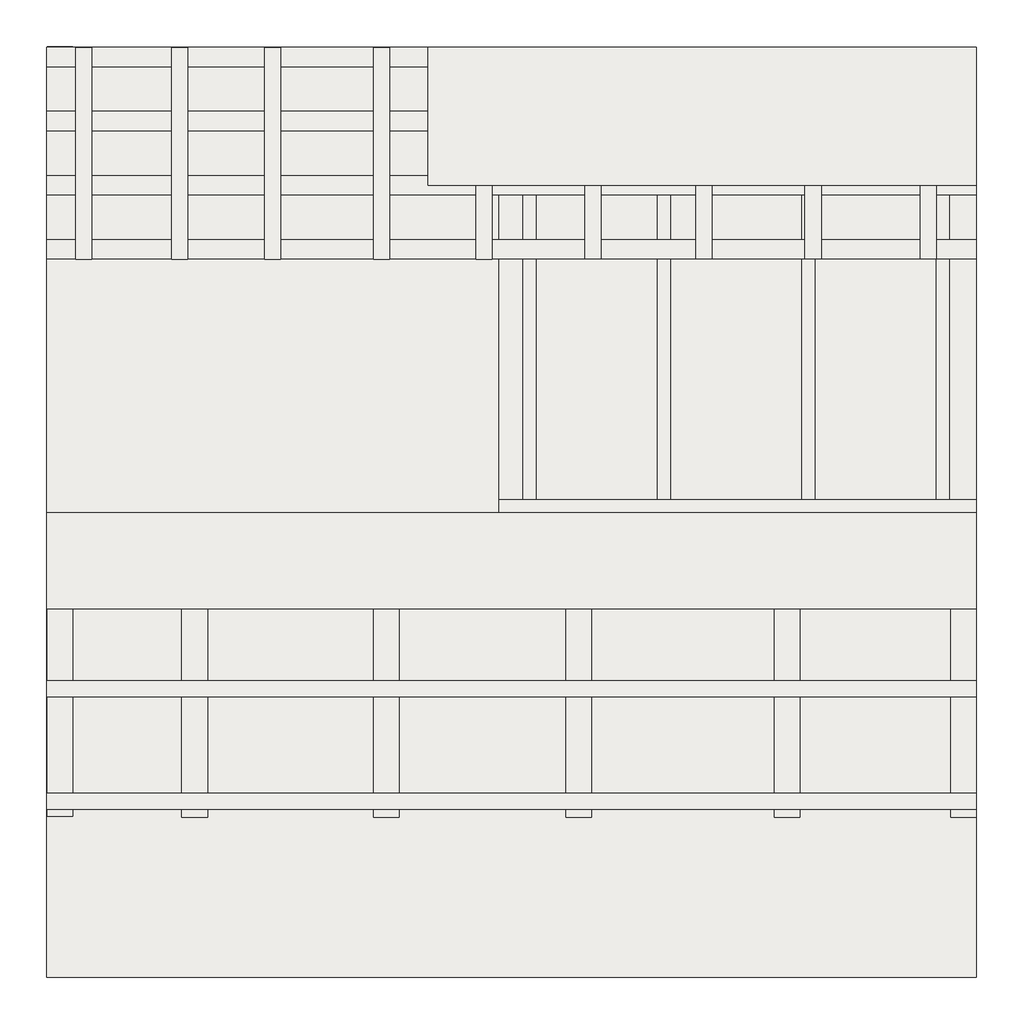
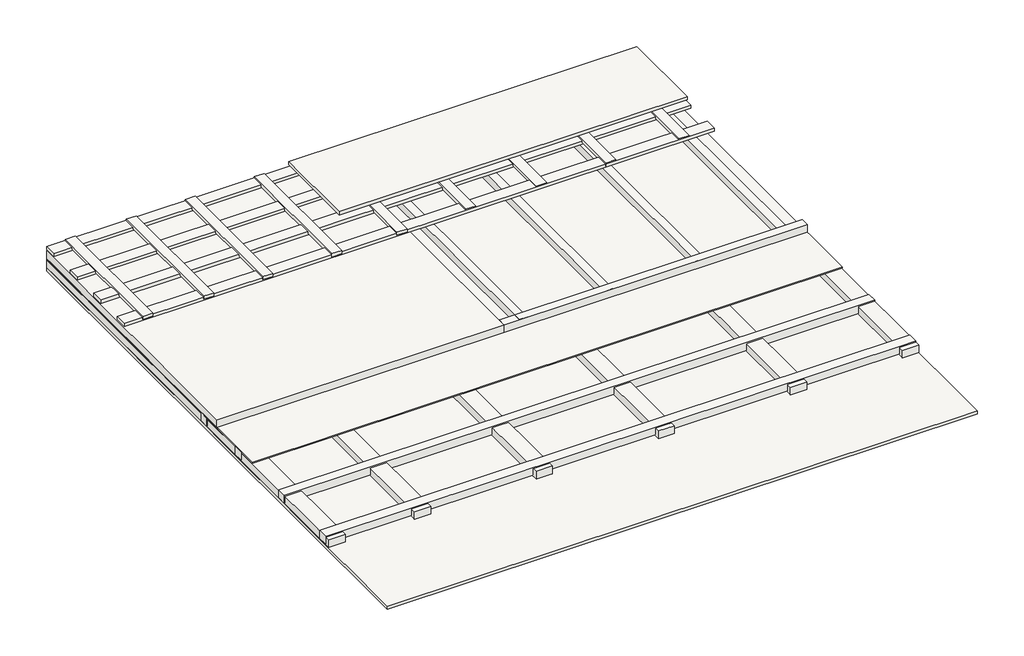
# One storey: 18 slabs, 14 coverings.
"""IFC4 building model written with IfcOpenShell, lengths in millimetres."""

from ifc_helpers import new_model, si_unit, frame, origin, origin_with_axes, place, context, project, spatial, polyline, outline, extrude, element, save

model = new_model("IFC4")

# Units and contexts
model_context = context("Model", 3, world=origin())
ifc_project = project(units=[si_unit("LENGTHUNIT", "METRE", prefix="MILLI")], contexts=[model_context])

# Site, building, storey
site = spatial("IfcSite", under=ifc_project)
building = spatial("IfcBuilding", under=site)
storey = spatial("IfcBuildingStorey", under=building, Elevation=0.0)

# Coverings
placement = place(None, origin())
element("IfcCovering", 1, at=placement, inside=storey, context=model_context, shape_type="SweptSolid", body=[
    extrude(outline(polyline([(3561.6995716, -4834.7060665), (9361.6995716, -4834.7060665), (9361.6995716, -4954.7060665), (3561.6995716, -4954.7060665), (3561.6995716, -4834.7060665)])), frame((0.0, 0.0, 190.0), z_axis=(0.0, 0.0, 1.0), x_axis=(1.0, 0.0, 0.0)), (0.0, 0.0, 1.0), 32.0),
])
element("IfcCovering", 2, at=placement, inside=storey, context=model_context, shape_type="SweptSolid", body=[
    extrude(outline(polyline([(3561.6995716, -5234.7060665), (9361.6995716, -5234.7060665), (9361.6995716, -5354.7060665), (3561.6995716, -5354.7060665), (3561.6995716, -5234.7060665)])), frame((0.0, 0.0, 190.0), z_axis=(0.0, 0.0, 1.0), x_axis=(1.0, 0.0, 0.0)), (0.0, 0.0, 1.0), 32.0),
])
element("IfcCovering", 3, at=placement, inside=storey, context=model_context, shape_type="SweptSolid", body=[
    extrude(outline(polyline([(3561.6995716, -5634.7060665), (9361.6995716, -5634.7060665), (9361.6995716, -5754.7060665), (3561.6995716, -5754.7060665), (3561.6995716, -5634.7060665)])), frame((0.0, 0.0, 190.0), z_axis=(0.0, 0.0, 1.0), x_axis=(1.0, 0.0, 0.0)), (0.0, 0.0, 1.0), 32.0),
])
element("IfcCovering", 4, at=placement, inside=storey, context=model_context, shape_type="SweptSolid", body=[
    extrude(outline(polyline([(3561.6995716, -6034.7060665), (9361.6995716, -6034.7060665), (9361.6995716, -6154.7060665), (3561.6995716, -6154.7060665), (3561.6995716, -6034.7060665)])), frame((0.0, 0.0, 190.0), z_axis=(0.0, 0.0, 1.0), x_axis=(1.0, 0.0, 0.0)), (0.0, 0.0, 1.0), 32.0),
])
element("IfcCovering", 5, at=placement, inside=storey, context=model_context, shape_type="SweptSolid", body=[
    extrude(outline(polyline([(3742.305506, -6156.1705326), (3742.305506, -4836.1705326), (3842.305506, -4836.1705326), (3842.305506, -6156.1705326), (3742.305506, -6156.1705326)])), frame((0.0, 0.0, 202.4644661), z_axis=(0.0, 0.0, 1.0), x_axis=(1.0, 0.0, 0.0)), (0.0, 0.0, 1.0), 32.0),
])
element("IfcCovering", 6, at=placement, inside=storey, context=model_context, shape_type="SweptSolid", body=[
    extrude(outline(polyline([(4342.305506, -6156.1705326), (4342.305506, -4836.1705326), (4442.305506, -4836.1705326), (4442.305506, -6156.1705326), (4342.305506, -6156.1705326)])), frame((0.0, 0.0, 202.4644661), z_axis=(0.0, 0.0, 1.0), x_axis=(1.0, 0.0, 0.0)), (0.0, 0.0, 1.0), 32.0),
])
element("IfcCovering", 7, at=placement, inside=storey, context=model_context, shape_type="SweptSolid", body=[
    extrude(outline(polyline([(4922.305506, -6156.1705326), (4922.305506, -4836.1705326), (5022.305506, -4836.1705326), (5022.305506, -6156.1705326), (4922.305506, -6156.1705326)])), frame((0.0, 0.0, 202.4644661), z_axis=(0.0, 0.0, 1.0), x_axis=(1.0, 0.0, 0.0)), (0.0, 0.0, 1.0), 32.0),
])
element("IfcCovering", 8, at=placement, inside=storey, context=model_context, shape_type="SweptSolid", body=[
    extrude(outline(polyline([(5602.305506, -6156.1705326), (5602.305506, -4836.1705326), (5702.305506, -4836.1705326), (5702.305506, -6156.1705326), (5602.305506, -6156.1705326)])), frame((0.0, 0.0, 202.4644661), z_axis=(0.0, 0.0, 1.0), x_axis=(1.0, 0.0, 0.0)), (0.0, 0.0, 1.0), 32.0),
])
element("IfcCovering", 9, at=placement, inside=storey, context=model_context, shape_type="SweptSolid", body=[
    extrude(outline(polyline([(6242.305506, -6156.1705326), (6242.305506, -4836.1705326), (6342.305506, -4836.1705326), (6342.305506, -6156.1705326), (6242.305506, -6156.1705326)])), frame((0.0, 0.0, 202.4644661), z_axis=(0.0, 0.0, 1.0), x_axis=(1.0, 0.0, 0.0)), (0.0, 0.0, 1.0), 32.0),
])
element("IfcCovering", 10, at=placement, inside=storey, context=model_context, shape_type="SweptSolid", body=[
    extrude(outline(polyline([(6919.7179007, -6154.7060665), (6919.7179007, -4834.7060665), (7019.7179007, -4834.7060665), (7019.7179007, -6154.7060665), (6919.7179007, -6154.7060665)])), frame((0.0, 0.0, 202.4644661), z_axis=(0.0, 0.0, 1.0), x_axis=(1.0, 0.0, 0.0)), (0.0, 0.0, 1.0), 32.0),
])
element("IfcCovering", 11, at=placement, inside=storey, context=model_context, shape_type="SweptSolid", body=[
    extrude(outline(polyline([(7613.8692195, -6154.7060665), (7613.8692195, -4834.7060665), (7713.8692195, -4834.7060665), (7713.8692195, -6154.7060665), (7613.8692195, -6154.7060665)])), frame((0.0, 0.0, 202.4644661), z_axis=(0.0, 0.0, 1.0), x_axis=(1.0, 0.0, 0.0)), (0.0, 0.0, 1.0), 32.0),
])
element("IfcCovering", 12, at=placement, inside=storey, context=model_context, shape_type="SweptSolid", body=[
    extrude(outline(polyline([(8293.8692195, -6154.7060665), (8293.8692195, -4834.7060665), (8393.8692195, -4834.7060665), (8393.8692195, -6154.7060665), (8293.8692195, -6154.7060665)])), frame((0.0, 0.0, 202.4644661), z_axis=(0.0, 0.0, 1.0), x_axis=(1.0, 0.0, 0.0)), (0.0, 0.0, 1.0), 32.0),
])
element("IfcCovering", 13, at=placement, inside=storey, context=model_context, shape_type="SweptSolid", body=[
    extrude(outline(polyline([(9013.8692195, -6154.7060665), (9013.8692195, -4834.7060665), (9113.8692195, -4834.7060665), (9113.8692195, -6154.7060665), (9013.8692195, -6154.7060665)])), frame((0.0, 0.0, 202.4644661), z_axis=(0.0, 0.0, 1.0), x_axis=(1.0, 0.0, 0.0)), (0.0, 0.0, 1.0), 32.0),
])
element("IfcCovering", 14, at=placement, inside=storey, context=model_context, shape_type="SweptSolid", body=[
    extrude(outline(polyline([(9361.6995716, -5694.7060665), (5941.6995716, -5694.7060665), (5941.6995716, -4834.7060665), (9361.6995716, -4834.7060665), (9361.6995716, -5694.7060665)])), frame((0.0, 0.0, 240.0), z_axis=(0.0, 0.0, 1.0), x_axis=(1.0, 0.0, 0.0)), (0.0, 0.0, 1.0), 32.0),
])

# Slabs
element("IfcSlab", 15, at=placement, inside=storey, context=model_context, shape_type="SweptSolid", body=[
    extrude(outline(polyline([(9361.6995716, -10634.7060665), (3561.6995716, -10634.7060665), (3561.6995716, -4834.7060665), (9361.6995716, -4834.7060665), (9361.6995716, -10634.7060665)])), frame((0.0, 0.0, -32.0), z_axis=(0.0, 0.0, 1.0), x_axis=(1.0, 0.0, 0.0)), (0.0, 0.0, 1.0), 32.0),
])
element("IfcSlab", 16, at=placement, inside=storey, context=model_context, shape_type="SweptSolid", body=[
    extrude(outline(polyline([(9361.6995716, -8334.7060665), (3561.6995716, -8334.7060665), (3561.6995716, -4834.7060665), (9361.6995716, -4834.7060665), (9361.6995716, -8334.7060665)])), frame((0.0, 0.0, 90.0), z_axis=(0.0, 0.0, 1.0), x_axis=(1.0, 0.0, 0.0)), (0.0, 0.0, 1.0), 10.0),
])
element("IfcSlab", 17, at=placement, inside=storey, context=model_context, shape_type="SweptSolid", body=[
    extrude(outline(polyline([(9361.6995716, -9634.7060665), (9201.6995716, -9634.7060665), (9201.6995716, -4834.7060665), (9361.6995716, -4834.7060665), (9361.6995716, -9634.7060665)])), origin_with_axes(), (0.0, 0.0, 1.0), 80.0),
])
element("IfcSlab", 18, at=placement, inside=storey, context=model_context, shape_type="SweptSolid", body=[
    extrude(outline(polyline([(8261.6995716, -9634.7060665), (8101.6995716, -9634.7060665), (8101.6995716, -4834.7060665), (8261.6995716, -4834.7060665), (8261.6995716, -9634.7060665)])), origin_with_axes(), (0.0, 0.0, 1.0), 80.0),
])
element("IfcSlab", 19, at=placement, inside=storey, context=model_context, shape_type="SweptSolid", body=[
    extrude(outline(polyline([(6961.6995716, -9634.7060665), (6801.6995716, -9634.7060665), (6801.6995716, -4834.7060665), (6961.6995716, -4834.7060665), (6961.6995716, -9634.7060665)])), origin_with_axes(), (0.0, 0.0, 1.0), 80.0),
])
element("IfcSlab", 20, at=placement, inside=storey, context=model_context, shape_type="SweptSolid", body=[
    extrude(outline(polyline([(5761.6995716, -9634.7060665), (5601.6995716, -9634.7060665), (5601.6995716, -4834.7060665), (5761.6995716, -4834.7060665), (5761.6995716, -9634.7060665)])), origin_with_axes(), (0.0, 0.0, 1.0), 80.0),
])
element("IfcSlab", 21, at=placement, inside=storey, context=model_context, shape_type="SweptSolid", body=[
    extrude(outline(polyline([(4566.2659339, -9634.7060665), (4406.2659339, -9634.7060665), (4406.2659339, -4834.7060665), (4566.2659339, -4834.7060665), (4566.2659339, -9634.7060665)])), origin_with_axes(), (0.0, 0.0, 1.0), 80.0),
])
element("IfcSlab", 22, at=placement, inside=storey, context=model_context, shape_type="SweptSolid", body=[
    extrude(outline(polyline([(3726.2659339, -9630.1191752), (3566.2659339, -9630.1191752), (3566.2659339, -4830.1191752), (3726.2659339, -4830.1191752), (3726.2659339, -9630.1191752)])), origin_with_axes(), (0.0, 0.0, 1.0), 80.0),
])
element("IfcSlab", 23, at=placement, inside=storey, context=model_context, shape_type="SweptSolid", body=[
    extrude(outline(polyline([(3561.6995716, -9584.7060665), (3561.6995716, -9484.7060665), (9361.6995716, -9484.7060665), (9361.6995716, -9584.7060665), (3561.6995716, -9584.7060665)])), frame((0.0, 0.0, 10.0), z_axis=(0.0, 0.0, 1.0), x_axis=(1.0, 0.0, 0.0)), (0.0, 0.0, 1.0), 80.0),
])
element("IfcSlab", 24, at=placement, inside=storey, context=model_context, shape_type="SweptSolid", body=[
    extrude(outline(polyline([(3561.6995716, -8884.7060665), (3561.6995716, -8784.7060665), (9361.6995716, -8784.7060665), (9361.6995716, -8884.7060665), (3561.6995716, -8884.7060665)])), frame((0.0, 0.0, 10.0), z_axis=(0.0, 0.0, 1.0), x_axis=(1.0, 0.0, 0.0)), (0.0, 0.0, 1.0), 80.0),
])
element("IfcSlab", 25, at=placement, inside=storey, context=model_context, shape_type="SweptSolid", body=[
    extrude(outline(polyline([(3561.6995716, -8144.7060665), (3561.6995716, -8044.7060665), (9361.6995716, -8044.7060665), (9361.6995716, -8144.7060665), (3561.6995716, -8144.7060665)])), frame((0.0, 0.0, 10.0), z_axis=(0.0, 0.0, 1.0), x_axis=(1.0, 0.0, 0.0)), (0.0, 0.0, 1.0), 80.0),
])
element("IfcSlab", 26, at=placement, inside=storey, context=model_context, shape_type="SweptSolid", body=[
    extrude(outline(polyline([(3561.6995716, -7564.7060665), (3561.6995716, -7464.7060665), (9361.6995716, -7464.7060665), (9361.6995716, -7564.7060665), (3561.6995716, -7564.7060665)])), frame((0.0, 0.0, 10.0), z_axis=(0.0, 0.0, 1.0), x_axis=(1.0, 0.0, 0.0)), (0.0, 0.0, 1.0), 80.0),
])
element("IfcSlab", 27, at=placement, inside=storey, context=model_context, shape_type="SweptSolid", body=[
    extrude(outline(polyline([(6381.6995716, -7734.7060665), (6381.6995716, -7654.7060665), (9361.6995716, -7654.7060665), (9361.6995716, -7734.7060665), (6381.6995716, -7734.7060665)])), frame((0.0, 0.0, 100.0), z_axis=(0.0, 0.0, 1.0), x_axis=(1.0, 0.0, 0.0)), (0.0, 0.0, 1.0), 80.0),
])
element("IfcSlab", 28, at=placement, inside=storey, context=model_context, shape_type="SweptSolid", body=[
    extrude(outline(polyline([(6533.8611941, -4834.7060665), (6613.8611941, -4834.7060665), (6613.8611941, -7734.7060665), (6533.8611941, -7734.7060665), (6533.8611941, -4834.7060665)])), frame((0.0, 0.0, 100.0), z_axis=(0.0, 0.0, 1.0), x_axis=(1.0, 0.0, 0.0)), (0.0, 0.0, 1.0), 80.0),
])
element("IfcSlab", 29, at=placement, inside=storey, context=model_context, shape_type="SweptSolid", body=[
    extrude(outline(polyline([(7373.8611941, -4834.7060665), (7453.8611941, -4834.7060665), (7453.8611941, -7734.7060665), (7373.8611941, -7734.7060665), (7373.8611941, -4834.7060665)])), frame((0.0, 0.0, 100.0), z_axis=(0.0, 0.0, 1.0), x_axis=(1.0, 0.0, 0.0)), (0.0, 0.0, 1.0), 80.0),
])
element("IfcSlab", 30, at=placement, inside=storey, context=model_context, shape_type="SweptSolid", body=[
    extrude(outline(polyline([(8273.8611941, -4834.7060665), (8353.8611941, -4834.7060665), (8353.8611941, -7734.7060665), (8273.8611941, -7734.7060665), (8273.8611941, -4834.7060665)])), frame((0.0, 0.0, 100.0), z_axis=(0.0, 0.0, 1.0), x_axis=(1.0, 0.0, 0.0)), (0.0, 0.0, 1.0), 80.0),
])
element("IfcSlab", 31, at=placement, inside=storey, context=model_context, shape_type="SweptSolid", body=[
    extrude(outline(polyline([(9113.8611941, -4834.7060665), (9193.8611941, -4834.7060665), (9193.8611941, -7734.7060665), (9113.8611941, -7734.7060665), (9113.8611941, -4834.7060665)])), frame((0.0, 0.0, 100.0), z_axis=(0.0, 0.0, 1.0), x_axis=(1.0, 0.0, 0.0)), (0.0, 0.0, 1.0), 80.0),
])
element("IfcSlab", 32, at=placement, inside=storey, context=model_context, shape_type="SweptSolid", body=[
    extrude(outline(polyline([(6381.6995716, -4834.7060665), (6381.6995716, -7734.7060665), (3561.6995716, -7734.7060665), (3561.6995716, -4834.7060665), (6381.6995716, -4834.7060665)])), frame((0.0, 0.0, 100.0), z_axis=(0.0, 0.0, 1.0), x_axis=(1.0, 0.0, 0.0)), (0.0, 0.0, 1.0), 80.0),
])

save(model, "model.ifc")
